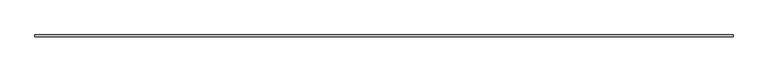
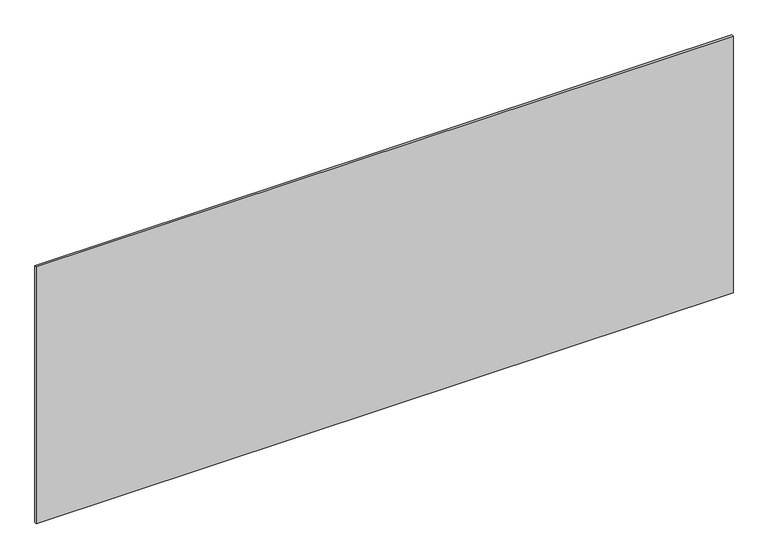
"""IFC4 building model written with IfcOpenShell, lengths in millimetres: plate geometry."""

from ifc_helpers import new_model, si_unit, origin, origin_with_axes, place, context, project, spatial, polyline, outline, extrude, source, transform, mapped, element, save


def plate_5c5a61a4(model_context):
    return source(origin(), model_context, "Body", "SweptSolid", [
        extrude(outline(polyline([(1697.5, -5.0), (-1697.5, -5.0), (-1697.5, 5.0), (1697.5, 5.0), (1697.5, -5.0)])), origin_with_axes(), (0.0, 0.0, 1.0), 1322.2777309),
    ])


if __name__ == "__main__":
    model = new_model("IFC4")
    model_context = context("Model", 3, world=origin())
    ifc_project = project(units=[si_unit("LENGTHUNIT", "METRE", prefix="MILLI")], contexts=[model_context])
    site = spatial("IfcSite", under=ifc_project)
    building = spatial("IfcBuilding", under=site)
    placement = place(None, origin())
    plate_shape = plate_5c5a61a4(model_context)
    element("IfcPlate", 1, at=placement, inside=building, context=model_context, shape_type="MappedRepresentation", body=[
        mapped(plate_shape, transform((0.0, 0.0, 0.0), x_axis=(1.0, 0.0, 0.0), y_axis=(0.0, 1.0, 0.0), z_axis=(0.0, 0.0, 1.0))),
    ])
    save(model, "model.ifc")
